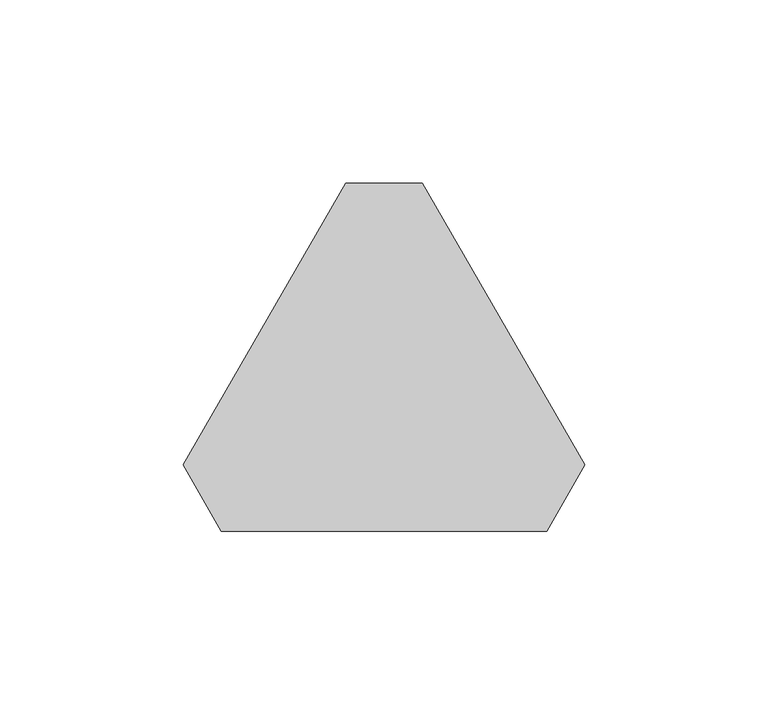
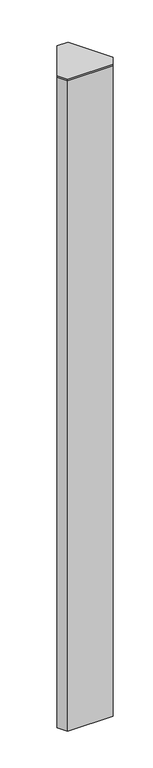
"""IFC4 building model written with IfcOpenShell, lengths in millimetres: furniture geometry."""

from ifc_helpers import new_model, si_unit, frame, origin, place, context, project, spatial, polyline, outline, extrude, source, transform, mapped, element, save


def furniture_283db28c(model_context):
    return source(origin(), model_context, "Body", "SweptSolid", [
        extrude(outline(polyline([(0.9398, 50.6512374), (45.3898, -26.3271), (34.925, -44.45), (-53.975, -44.45), (-64.4398, -26.3271), (-19.9898, 50.6512374), (0.9398, 50.6512374)])), frame((0.0, 0.0, 1368.425), z_axis=(0.0, 0.0, 1.0), x_axis=(1.0, 0.0, 0.0)), (0.0, 0.0, 1.0), 3.175),
        extrude(outline(polyline([(-53.975, -44.45), (-64.4398, -26.3271), (-19.9898, 50.6512374), (0.9398, 50.6512374), (45.3898, -26.3271), (34.925, -44.45), (-53.975, -44.45)])), frame((0.0, 0.0, 9.525), z_axis=(0.0, 0.0, 1.0), x_axis=(1.0, 0.0, 0.0)), (0.0, 0.0, 1.0), 1358.9),
    ])


if __name__ == "__main__":
    model = new_model("IFC4")
    model_context = context("Model", 3, world=origin())
    ifc_project = project(units=[si_unit("LENGTHUNIT", "METRE", prefix="MILLI")], contexts=[model_context])
    site = spatial("IfcSite", under=ifc_project)
    building = spatial("IfcBuilding", under=site)
    placement = place(None, origin())
    furniture_shape = furniture_283db28c(model_context)
    element("IfcFurniture", 1, at=placement, inside=building, context=model_context, shape_type="MappedRepresentation", body=[
        mapped(furniture_shape, transform((0.0, 0.0, 0.0), x_axis=(1.0, 0.0, 0.0), y_axis=(0.0, 1.0, 0.0), z_axis=(0.0, 0.0, 1.0))),
    ])
    save(model, "model.ifc")
